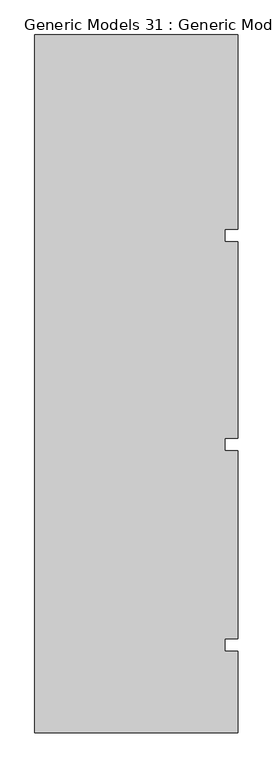
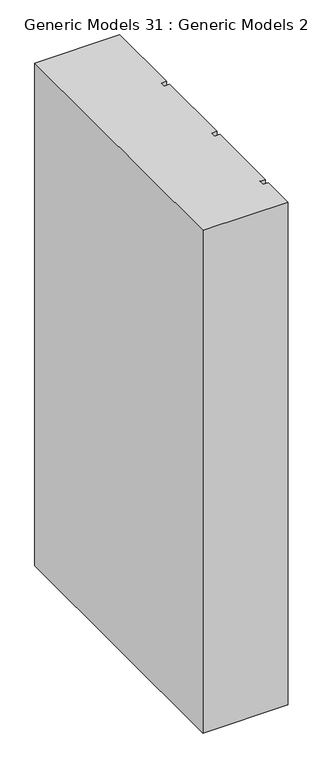
"""IFC4 building model written with IfcOpenShell, lengths in millimetres: proxy geometry, Generic Models 31 : Generic Models 2."""

from ifc_helpers import new_model, si_unit, frame, origin, place, context, project, spatial, polyline, outline, extrude, source, transform, mapped, element, save


def generic_models_31_generic_models_2_93443cee(model_context):
    return source(origin(), model_context, "Body", "SweptSolid", [
        extrude(outline(polyline([(6158.9891931, -239.4418036), (6646.0314083, -239.4418036), (6646.0314083, -703.851216), (6614.3889077, -703.851216), (6614.3889077, -733.8846489), (6646.0314083, -733.8846489), (6646.0314083, -1203.851216), (6614.3889077, -1203.851216), (6614.3889077, -1233.8846489), (6646.0314083, -1233.8846489), (6646.0314083, -1683.851216), (6614.3889077, -1683.851216), (6614.3889077, -1713.8846489), (6646.0314083, -1713.8846489), (6646.0314083, -1909.2712904), (6158.9891931, -1909.2712904), (6158.9891931, -239.4418036)])), frame((0.0, 0.0, 12000.0), z_axis=(0.0, 0.0, 1.0), x_axis=(1.0, 0.0, 0.0)), (0.0, 0.0, 1.0), 3044.7067261),
    ])


if __name__ == "__main__":
    model = new_model("IFC4")
    model_context = context("Model", 3, world=origin())
    ifc_project = project(units=[si_unit("LENGTHUNIT", "METRE", prefix="MILLI")], contexts=[model_context])
    site = spatial("IfcSite", under=ifc_project)
    building = spatial("IfcBuilding", under=site)
    placement = place(None, origin())
    generic_models_31_generic_models_2_shape = generic_models_31_generic_models_2_93443cee(model_context)
    element("IfcBuildingElementProxy", 1, Name="Generic Models 31 : Generic Models 2", ObjectType="Generic Models 31 : Generic Models 2", at=placement, inside=building, context=model_context, shape_type="MappedRepresentation", body=[
        mapped(generic_models_31_generic_models_2_shape, transform((0.0, 0.0, 0.0), x_axis=(1.0, 0.0, 0.0), y_axis=(0.0, 1.0, 0.0), z_axis=(0.0, 0.0, 1.0))),
    ])
    save(model, "model.ifc")
